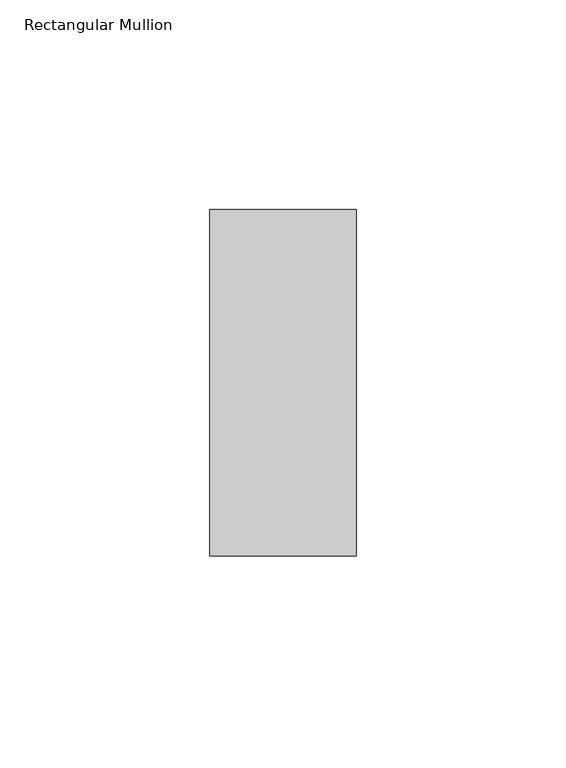
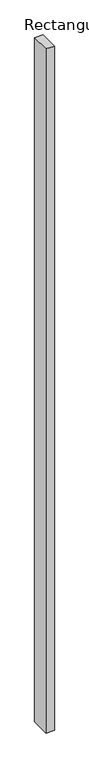
"""IFC4 building model written with IfcOpenShell, lengths in millimetres: member geometry, Rectangular Mullion."""

from ifc_helpers import new_model, si_unit, frame, origin, place, context, project, spatial, polyline, outline, extrude, source, transform, mapped, element, save


def rectangular_mullion_7cb9bad3(model_context):
    return source(origin(), model_context, "Body", "SweptSolid", [
        extrude(outline(polyline([(0.0, 73.025), (0.0, -9.525), (-34.925, -9.525), (-34.925, 73.025), (0.0, 73.025)])), frame((0.0, 0.0, -3048.0), z_axis=(0.0, 0.0, 1.0), x_axis=(1.0, 0.0, 0.0)), (0.0, 0.0, 1.0), 3048.0),
    ])


if __name__ == "__main__":
    model = new_model("IFC4")
    model_context = context("Model", 3, world=origin())
    ifc_project = project(units=[si_unit("LENGTHUNIT", "METRE", prefix="MILLI")], contexts=[model_context])
    site = spatial("IfcSite", under=ifc_project)
    building = spatial("IfcBuilding", under=site)
    placement = place(None, origin())
    rectangular_mullion_shape = rectangular_mullion_7cb9bad3(model_context)
    element("IfcMember", 1, ObjectType="Rectangular Mullion", at=placement, inside=building, context=model_context, shape_type="MappedRepresentation", body=[
        mapped(rectangular_mullion_shape, transform((0.0, 0.0, 0.0), x_axis=(1.0, 0.0, 0.0), y_axis=(0.0, 1.0, 0.0), z_axis=(0.0, 0.0, 1.0))),
    ])
    save(model, "model.ifc")
